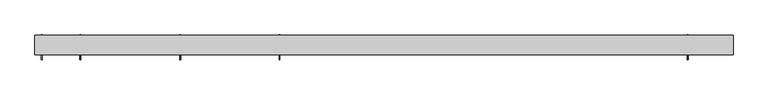
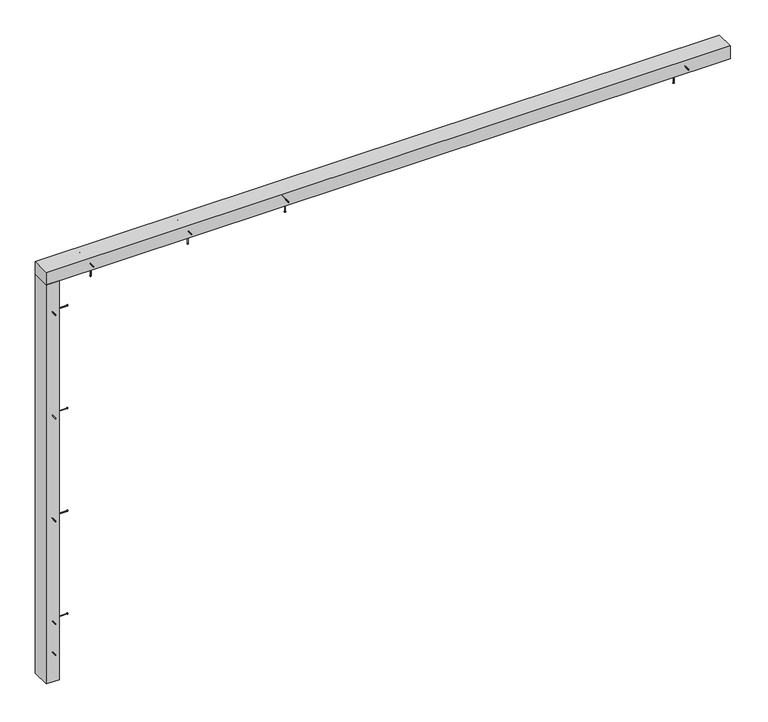
"""IFC4 building model written with IfcOpenShell, lengths in millimetres: proxy geometry."""

from ifc_helpers import new_model, si_unit, point, frame, frame_2d, origin, place, context, project, spatial, polyline, circle_curve, trimmed, segment, composite_curve, outline, extrude, source, transform, mapped, element, save


def generic_models_e6223e9b(model_context):
    return source(origin(), model_context, "Body", "SweptSolid", [
        extrude(outline(composite_curve([segment(trimmed(circle_curve(frame_2d((2827.5, -469.8333333)), 2.4700592), [point((2829.9700592, -469.8333333))], [point((2825.0299408, -469.8333333))], False, "CARTESIAN"), True, "CONTINUOUS"), segment(trimmed(circle_curve(frame_2d((2827.5, -469.8333333)), 2.4700592), [point((2825.0299408, -469.8333333))], [point((2829.9700592, -469.8333333))], False, "CARTESIAN"), True, "CONTINUOUS")], self_intersect=False)), frame((0.0, 123.0, 0.0), z_axis=(0.0, 1.0, 0.0), x_axis=(0.0, 0.0, 1.0)), (0.0, 0.0, 1.0), 152.0),
        extrude(outline(composite_curve([segment(trimmed(circle_curve(frame_2d((2827.5, -469.8333333)), 3.8), [point((2831.3, -469.8333333))], [point((2823.7, -469.8333333))], False, "CARTESIAN"), True, "CONTINUOUS"), segment(trimmed(circle_curve(frame_2d((2827.5, -469.8333333)), 3.8), [point((2823.7, -469.8333333))], [point((2831.3, -469.8333333))], False, "CARTESIAN"), True, "CONTINUOUS")], self_intersect=False)), frame((0.0, 275.0, 0.0), z_axis=(0.0, 1.0, 0.0), x_axis=(0.0, 0.0, 1.0)), (0.0, 0.0, 1.0), 3.0),
        extrude(outline(composite_curve([segment(trimmed(circle_curve(frame_2d((-439.8333333, 215.0)), 2.4700592), [point((-439.8333333, 212.5299408))], [point((-439.8333333, 217.4700592))], False, "CARTESIAN"), True, "CONTINUOUS"), segment(trimmed(circle_curve(frame_2d((-439.8333333, 215.0)), 2.4700592), [point((-439.8333333, 217.4700592))], [point((-439.8333333, 212.5299408))], False, "CARTESIAN"), True, "CONTINUOUS")], self_intersect=False)), frame((0.0, 0.0, 2700.0), z_axis=(0.0, 0.0, 1.0), x_axis=(1.0, 0.0, 0.0)), (0.0, 0.0, 1.0), 145.0),
        extrude(outline(composite_curve([segment(trimmed(circle_curve(frame_2d((-439.8333333, 215.0)), 3.8), [point((-439.8333333, 211.2))], [point((-439.8333333, 218.8))], False, "CARTESIAN"), True, "CONTINUOUS"), segment(trimmed(circle_curve(frame_2d((-439.8333333, 215.0)), 3.8), [point((-439.8333333, 218.8))], [point((-439.8333333, 211.2))], False, "CARTESIAN"), True, "CONTINUOUS")], self_intersect=False)), frame((0.0, 0.0, 2697.0), z_axis=(0.0, 0.0, 1.0), x_axis=(1.0, 0.0, 0.0)), (0.0, 0.0, 1.0), 3.0),
        extrude(outline(composite_curve([segment(trimmed(circle_curve(frame_2d((2827.5, -1091.1666667)), 2.4700592), [point((2829.9700592, -1091.1666667))], [point((2825.0299408, -1091.1666667))], False, "CARTESIAN"), True, "CONTINUOUS"), segment(trimmed(circle_curve(frame_2d((2827.5, -1091.1666667)), 2.4700592), [point((2825.0299408, -1091.1666667))], [point((2829.9700592, -1091.1666667))], False, "CARTESIAN"), True, "CONTINUOUS")], self_intersect=False)), frame((0.0, 123.0, 0.0), z_axis=(0.0, 1.0, 0.0), x_axis=(0.0, 0.0, 1.0)), (0.0, 0.0, 1.0), 152.0),
        extrude(outline(composite_curve([segment(trimmed(circle_curve(frame_2d((2827.5, -1091.1666667)), 3.8), [point((2831.3, -1091.1666667))], [point((2823.7, -1091.1666667))], False, "CARTESIAN"), True, "CONTINUOUS"), segment(trimmed(circle_curve(frame_2d((2827.5, -1091.1666667)), 3.8), [point((2823.7, -1091.1666667))], [point((2831.3, -1091.1666667))], False, "CARTESIAN"), True, "CONTINUOUS")], self_intersect=False)), frame((0.0, 275.0, 0.0), z_axis=(0.0, 1.0, 0.0), x_axis=(0.0, 0.0, 1.0)), (0.0, 0.0, 1.0), 3.0),
        extrude(outline(composite_curve([segment(trimmed(circle_curve(frame_2d((-1061.1666667, 215.0)), 2.4700592), [point((-1061.1666667, 212.5299408))], [point((-1061.1666667, 217.4700592))], False, "CARTESIAN"), True, "CONTINUOUS"), segment(trimmed(circle_curve(frame_2d((-1061.1666667, 215.0)), 2.4700592), [point((-1061.1666667, 217.4700592))], [point((-1061.1666667, 212.5299408))], False, "CARTESIAN"), True, "CONTINUOUS")], self_intersect=False)), frame((0.0, 0.0, 2700.0), z_axis=(0.0, 0.0, 1.0), x_axis=(1.0, 0.0, 0.0)), (0.0, 0.0, 1.0), 145.0),
        extrude(outline(composite_curve([segment(trimmed(circle_curve(frame_2d((-1061.1666667, 215.0)), 3.8), [point((-1061.1666667, 211.2))], [point((-1061.1666667, 218.8))], False, "CARTESIAN"), True, "CONTINUOUS"), segment(trimmed(circle_curve(frame_2d((-1061.1666667, 215.0)), 3.8), [point((-1061.1666667, 218.8))], [point((-1061.1666667, 211.2))], False, "CARTESIAN"), True, "CONTINUOUS")], self_intersect=False)), frame((0.0, 0.0, 2697.0), z_axis=(0.0, 0.0, 1.0), x_axis=(1.0, 0.0, 0.0)), (0.0, 0.0, 1.0), 3.0),
        extrude(outline(composite_curve([segment(trimmed(circle_curve(frame_2d((2045.5, 215.0)), 2.4700592), [point((2045.5, 212.5299408))], [point((2045.5, 217.4700592))], False, "CARTESIAN"), True, "CONTINUOUS"), segment(trimmed(circle_curve(frame_2d((2045.5, 215.0)), 2.4700592), [point((2045.5, 217.4700592))], [point((2045.5, 212.5299408))], False, "CARTESIAN"), True, "CONTINUOUS")], self_intersect=False)), frame((0.0, 0.0, 2700.0), z_axis=(0.0, 0.0, 1.0), x_axis=(1.0, 0.0, 0.0)), (0.0, 0.0, 1.0), 145.0),
        extrude(outline(composite_curve([segment(trimmed(circle_curve(frame_2d((2045.5, 215.0)), 3.8), [point((2045.5, 211.2))], [point((2045.5, 218.8))], False, "CARTESIAN"), True, "CONTINUOUS"), segment(trimmed(circle_curve(frame_2d((2045.5, 215.0)), 3.8), [point((2045.5, 218.8))], [point((2045.5, 211.2))], False, "CARTESIAN"), True, "CONTINUOUS")], self_intersect=False)), frame((0.0, 0.0, 2697.0), z_axis=(0.0, 0.0, 1.0), x_axis=(1.0, 0.0, 0.0)), (0.0, 0.0, 1.0), 3.0),
        extrude(outline(composite_curve([segment(trimmed(circle_curve(frame_2d((-1682.5, 215.0)), 2.4700592), [point((-1682.5, 212.5299408))], [point((-1682.5, 217.4700592))], False, "CARTESIAN"), True, "CONTINUOUS"), segment(trimmed(circle_curve(frame_2d((-1682.5, 215.0)), 2.4700592), [point((-1682.5, 217.4700592))], [point((-1682.5, 212.5299408))], False, "CARTESIAN"), True, "CONTINUOUS")], self_intersect=False)), frame((0.0, 0.0, 2700.0), z_axis=(0.0, 0.0, 1.0), x_axis=(1.0, 0.0, 0.0)), (0.0, 0.0, 1.0), 145.0),
        extrude(outline(composite_curve([segment(trimmed(circle_curve(frame_2d((-1682.5, 215.0)), 3.8), [point((-1682.5, 211.2))], [point((-1682.5, 218.8))], False, "CARTESIAN"), True, "CONTINUOUS"), segment(trimmed(circle_curve(frame_2d((-1682.5, 215.0)), 3.8), [point((-1682.5, 218.8))], [point((-1682.5, 211.2))], False, "CARTESIAN"), True, "CONTINUOUS")], self_intersect=False)), frame((0.0, 0.0, 2697.0), z_axis=(0.0, 0.0, 1.0), x_axis=(1.0, 0.0, 0.0)), (0.0, 0.0, 1.0), 3.0),
        extrude(outline(composite_curve([segment(trimmed(circle_curve(frame_2d((2827.5, -1717.5)), 2.4700592), [point((2829.9700592, -1717.5))], [point((2825.0299408, -1717.5))], False, "CARTESIAN"), True, "CONTINUOUS"), segment(trimmed(circle_curve(frame_2d((2827.5, -1717.5)), 2.4700592), [point((2825.0299408, -1717.5))], [point((2829.9700592, -1717.5))], False, "CARTESIAN"), True, "CONTINUOUS")], self_intersect=False)), frame((0.0, 123.0, 0.0), z_axis=(0.0, 1.0, 0.0), x_axis=(0.0, 0.0, 1.0)), (0.0, 0.0, 1.0), 152.0),
        extrude(outline(composite_curve([segment(trimmed(circle_curve(frame_2d((2827.5, -1717.5)), 3.8), [point((2831.3, -1717.5))], [point((2823.7, -1717.5))], False, "CARTESIAN"), True, "CONTINUOUS"), segment(trimmed(circle_curve(frame_2d((2827.5, -1717.5)), 3.8), [point((2823.7, -1717.5))], [point((2831.3, -1717.5))], False, "CARTESIAN"), True, "CONTINUOUS")], self_intersect=False)), frame((0.0, 275.0, 0.0), z_axis=(0.0, 1.0, 0.0), x_axis=(0.0, 0.0, 1.0)), (0.0, 0.0, 1.0), 3.0),
        extrude(outline(composite_curve([segment(trimmed(circle_curve(frame_2d((2827.5, 2087.5)), 2.4700592), [point((2829.9700592, 2087.5))], [point((2825.0299408, 2087.5))], False, "CARTESIAN"), True, "CONTINUOUS"), segment(trimmed(circle_curve(frame_2d((2827.5, 2087.5)), 2.4700592), [point((2825.0299408, 2087.5))], [point((2829.9700592, 2087.5))], False, "CARTESIAN"), True, "CONTINUOUS")], self_intersect=False)), frame((0.0, 123.0, 0.0), z_axis=(0.0, 1.0, 0.0), x_axis=(0.0, 0.0, 1.0)), (0.0, 0.0, 1.0), 152.0),
        extrude(outline(composite_curve([segment(trimmed(circle_curve(frame_2d((2827.5, 2087.5)), 3.8), [point((2831.3, 2087.5))], [point((2823.7, 2087.5))], False, "CARTESIAN"), True, "CONTINUOUS"), segment(trimmed(circle_curve(frame_2d((2827.5, 2087.5)), 3.8), [point((2823.7, 2087.5))], [point((2831.3, 2087.5))], False, "CARTESIAN"), True, "CONTINUOUS")], self_intersect=False)), frame((0.0, 275.0, 0.0), z_axis=(0.0, 1.0, 0.0), x_axis=(0.0, 0.0, 1.0)), (0.0, 0.0, 1.0), 3.0),
        extrude(outline(polyline([(2372.5, 155.0), (-2002.5, 155.0), (-2002.5, 275.0), (2372.5, 275.0), (2372.5, 155.0)])), frame((0.0, 0.0, 2785.0), z_axis=(0.0, 0.0, 1.0), x_axis=(1.0, 0.0, 0.0)), (0.0, 0.0, 1.0), 85.0),
        extrude(outline(composite_curve([segment(trimmed(circle_curve(frame_2d((495.0, -1960.0)), 2.4700592), [point((495.0, -1962.4700592))], [point((495.0, -1957.5299408))], False, "CARTESIAN"), True, "CONTINUOUS"), segment(trimmed(circle_curve(frame_2d((495.0, -1960.0)), 2.4700592), [point((495.0, -1957.5299408))], [point((495.0, -1962.4700592))], False, "CARTESIAN"), True, "CONTINUOUS")], self_intersect=False)), frame((0.0, 123.0, 0.0), z_axis=(0.0, 1.0, 0.0), x_axis=(0.0, 0.0, 1.0)), (0.0, 0.0, 1.0), 152.0),
        extrude(outline(composite_curve([segment(trimmed(circle_curve(frame_2d((495.0, -1960.0)), 3.8), [point((495.0, -1963.8))], [point((495.0, -1956.2))], False, "CARTESIAN"), True, "CONTINUOUS"), segment(trimmed(circle_curve(frame_2d((495.0, -1960.0)), 3.8), [point((495.0, -1956.2))], [point((495.0, -1963.8))], False, "CARTESIAN"), True, "CONTINUOUS")], self_intersect=False)), frame((0.0, 275.0, 0.0), z_axis=(0.0, 1.0, 0.0), x_axis=(0.0, 0.0, 1.0)), (0.0, 0.0, 1.0), 3.0),
        extrude(outline(composite_curve([segment(trimmed(circle_curve(frame_2d((1190.0, -1960.0)), 2.4700592), [point((1190.0, -1962.4700592))], [point((1190.0, -1957.5299408))], False, "CARTESIAN"), True, "CONTINUOUS"), segment(trimmed(circle_curve(frame_2d((1190.0, -1960.0)), 2.4700592), [point((1190.0, -1957.5299408))], [point((1190.0, -1962.4700592))], False, "CARTESIAN"), True, "CONTINUOUS")], self_intersect=False)), frame((0.0, 123.0, 0.0), z_axis=(0.0, 1.0, 0.0), x_axis=(0.0, 0.0, 1.0)), (0.0, 0.0, 1.0), 152.0),
        extrude(outline(composite_curve([segment(trimmed(circle_curve(frame_2d((1190.0, -1960.0)), 3.8), [point((1190.0, -1963.8))], [point((1190.0, -1956.2))], False, "CARTESIAN"), True, "CONTINUOUS"), segment(trimmed(circle_curve(frame_2d((1190.0, -1960.0)), 3.8), [point((1190.0, -1956.2))], [point((1190.0, -1963.8))], False, "CARTESIAN"), True, "CONTINUOUS")], self_intersect=False)), frame((0.0, 275.0, 0.0), z_axis=(0.0, 1.0, 0.0), x_axis=(0.0, 0.0, 1.0)), (0.0, 0.0, 1.0), 3.0),
        extrude(outline(composite_curve([segment(trimmed(circle_curve(frame_2d((215.0, 1160.0)), 2.4700592), [point((212.5299408, 1160.0))], [point((217.4700592, 1160.0))], False, "CARTESIAN"), True, "CONTINUOUS"), segment(trimmed(circle_curve(frame_2d((215.0, 1160.0)), 2.4700592), [point((217.4700592, 1160.0))], [point((212.5299408, 1160.0))], False, "CARTESIAN"), True, "CONTINUOUS")], self_intersect=False)), frame((-1977.5, 0.0, 0.0), z_axis=(1.0, 0.0, 0.0), x_axis=(0.0, 1.0, 0.0)), (0.0, 0.0, 1.0), 145.0),
        extrude(outline(composite_curve([segment(trimmed(circle_curve(frame_2d((215.0, 1160.0)), 3.8), [point((211.2, 1160.0))], [point((218.8, 1160.0))], False, "CARTESIAN"), True, "CONTINUOUS"), segment(trimmed(circle_curve(frame_2d((215.0, 1160.0)), 3.8), [point((218.8, 1160.0))], [point((211.2, 1160.0))], False, "CARTESIAN"), True, "CONTINUOUS")], self_intersect=False)), frame((-1832.5, 0.0, 0.0), z_axis=(1.0, 0.0, 0.0), x_axis=(0.0, 1.0, 0.0)), (0.0, 0.0, 1.0), 3.0),
        extrude(outline(composite_curve([segment(trimmed(circle_curve(frame_2d((1885.0, -1960.0)), 2.4700592), [point((1885.0, -1962.4700592))], [point((1885.0, -1957.5299408))], False, "CARTESIAN"), True, "CONTINUOUS"), segment(trimmed(circle_curve(frame_2d((1885.0, -1960.0)), 2.4700592), [point((1885.0, -1957.5299408))], [point((1885.0, -1962.4700592))], False, "CARTESIAN"), True, "CONTINUOUS")], self_intersect=False)), frame((0.0, 123.0, 0.0), z_axis=(0.0, 1.0, 0.0), x_axis=(0.0, 0.0, 1.0)), (0.0, 0.0, 1.0), 152.0),
        extrude(outline(composite_curve([segment(trimmed(circle_curve(frame_2d((1885.0, -1960.0)), 3.8), [point((1885.0, -1963.8))], [point((1885.0, -1956.2))], False, "CARTESIAN"), True, "CONTINUOUS"), segment(trimmed(circle_curve(frame_2d((1885.0, -1960.0)), 3.8), [point((1885.0, -1956.2))], [point((1885.0, -1963.8))], False, "CARTESIAN"), True, "CONTINUOUS")], self_intersect=False)), frame((0.0, 275.0, 0.0), z_axis=(0.0, 1.0, 0.0), x_axis=(0.0, 0.0, 1.0)), (0.0, 0.0, 1.0), 3.0),
        extrude(outline(composite_curve([segment(trimmed(circle_curve(frame_2d((215.0, 1855.0)), 2.4700592), [point((212.5299408, 1855.0))], [point((217.4700592, 1855.0))], False, "CARTESIAN"), True, "CONTINUOUS"), segment(trimmed(circle_curve(frame_2d((215.0, 1855.0)), 2.4700592), [point((217.4700592, 1855.0))], [point((212.5299408, 1855.0))], False, "CARTESIAN"), True, "CONTINUOUS")], self_intersect=False)), frame((-1977.5, 0.0, 0.0), z_axis=(1.0, 0.0, 0.0), x_axis=(0.0, 1.0, 0.0)), (0.0, 0.0, 1.0), 145.0),
        extrude(outline(composite_curve([segment(trimmed(circle_curve(frame_2d((215.0, 1855.0)), 3.8), [point((211.2, 1855.0))], [point((218.8, 1855.0))], False, "CARTESIAN"), True, "CONTINUOUS"), segment(trimmed(circle_curve(frame_2d((215.0, 1855.0)), 3.8), [point((218.8, 1855.0))], [point((211.2, 1855.0))], False, "CARTESIAN"), True, "CONTINUOUS")], self_intersect=False)), frame((-1832.5, 0.0, 0.0), z_axis=(1.0, 0.0, 0.0), x_axis=(0.0, 1.0, 0.0)), (0.0, 0.0, 1.0), 3.0),
        extrude(outline(composite_curve([segment(trimmed(circle_curve(frame_2d((215.0, 465.0)), 2.4700592), [point((212.5299408, 465.0))], [point((217.4700592, 465.0))], False, "CARTESIAN"), True, "CONTINUOUS"), segment(trimmed(circle_curve(frame_2d((215.0, 465.0)), 2.4700592), [point((217.4700592, 465.0))], [point((212.5299408, 465.0))], False, "CARTESIAN"), True, "CONTINUOUS")], self_intersect=False)), frame((-1977.5, 0.0, 0.0), z_axis=(1.0, 0.0, 0.0), x_axis=(0.0, 1.0, 0.0)), (0.0, 0.0, 1.0), 145.0),
        extrude(outline(composite_curve([segment(trimmed(circle_curve(frame_2d((215.0, 465.0)), 3.8), [point((211.2, 465.0))], [point((218.8, 465.0))], False, "CARTESIAN"), True, "CONTINUOUS"), segment(trimmed(circle_curve(frame_2d((215.0, 465.0)), 3.8), [point((218.8, 465.0))], [point((211.2, 465.0))], False, "CARTESIAN"), True, "CONTINUOUS")], self_intersect=False)), frame((-1832.5, 0.0, 0.0), z_axis=(1.0, 0.0, 0.0), x_axis=(0.0, 1.0, 0.0)), (0.0, 0.0, 1.0), 3.0),
        extrude(outline(composite_curve([segment(trimmed(circle_curve(frame_2d((215.0, 2550.0)), 2.4700592), [point((212.5299408, 2550.0))], [point((217.4700592, 2550.0))], False, "CARTESIAN"), True, "CONTINUOUS"), segment(trimmed(circle_curve(frame_2d((215.0, 2550.0)), 2.4700592), [point((217.4700592, 2550.0))], [point((212.5299408, 2550.0))], False, "CARTESIAN"), True, "CONTINUOUS")], self_intersect=False)), frame((-1977.5, 0.0, 0.0), z_axis=(1.0, 0.0, 0.0), x_axis=(0.0, 1.0, 0.0)), (0.0, 0.0, 1.0), 145.0),
        extrude(outline(composite_curve([segment(trimmed(circle_curve(frame_2d((215.0, 2550.0)), 3.8), [point((211.2, 2550.0))], [point((218.8, 2550.0))], False, "CARTESIAN"), True, "CONTINUOUS"), segment(trimmed(circle_curve(frame_2d((215.0, 2550.0)), 3.8), [point((218.8, 2550.0))], [point((211.2, 2550.0))], False, "CARTESIAN"), True, "CONTINUOUS")], self_intersect=False)), frame((-1832.5, 0.0, 0.0), z_axis=(1.0, 0.0, 0.0), x_axis=(0.0, 1.0, 0.0)), (0.0, 0.0, 1.0), 3.0),
        extrude(outline(composite_curve([segment(trimmed(circle_curve(frame_2d((2585.0, -1960.0)), 2.4700592), [point((2585.0, -1962.4700592))], [point((2585.0, -1957.5299408))], False, "CARTESIAN"), True, "CONTINUOUS"), segment(trimmed(circle_curve(frame_2d((2585.0, -1960.0)), 2.4700592), [point((2585.0, -1957.5299408))], [point((2585.0, -1962.4700592))], False, "CARTESIAN"), True, "CONTINUOUS")], self_intersect=False)), frame((0.0, 123.0, 0.0), z_axis=(0.0, 1.0, 0.0), x_axis=(0.0, 0.0, 1.0)), (0.0, 0.0, 1.0), 152.0),
        extrude(outline(composite_curve([segment(trimmed(circle_curve(frame_2d((2585.0, -1960.0)), 3.8), [point((2585.0, -1963.8))], [point((2585.0, -1956.2))], False, "CARTESIAN"), True, "CONTINUOUS"), segment(trimmed(circle_curve(frame_2d((2585.0, -1960.0)), 3.8), [point((2585.0, -1956.2))], [point((2585.0, -1963.8))], False, "CARTESIAN"), True, "CONTINUOUS")], self_intersect=False)), frame((0.0, 275.0, 0.0), z_axis=(0.0, 1.0, 0.0), x_axis=(0.0, 0.0, 1.0)), (0.0, 0.0, 1.0), 3.0),
        extrude(outline(composite_curve([segment(trimmed(circle_curve(frame_2d((285.0, -1960.0)), 2.4700592), [point((285.0, -1962.4700592))], [point((285.0, -1957.5299408))], False, "CARTESIAN"), True, "CONTINUOUS"), segment(trimmed(circle_curve(frame_2d((285.0, -1960.0)), 2.4700592), [point((285.0, -1957.5299408))], [point((285.0, -1962.4700592))], False, "CARTESIAN"), True, "CONTINUOUS")], self_intersect=False)), frame((0.0, 123.0, 0.0), z_axis=(0.0, 1.0, 0.0), x_axis=(0.0, 0.0, 1.0)), (0.0, 0.0, 1.0), 152.0),
        extrude(outline(composite_curve([segment(trimmed(circle_curve(frame_2d((285.0, -1960.0)), 3.8), [point((285.0, -1963.8))], [point((285.0, -1956.2))], False, "CARTESIAN"), True, "CONTINUOUS"), segment(trimmed(circle_curve(frame_2d((285.0, -1960.0)), 3.8), [point((285.0, -1956.2))], [point((285.0, -1963.8))], False, "CARTESIAN"), True, "CONTINUOUS")], self_intersect=False)), frame((0.0, 275.0, 0.0), z_axis=(0.0, 1.0, 0.0), x_axis=(0.0, 0.0, 1.0)), (0.0, 0.0, 1.0), 3.0),
        extrude(outline(polyline([(-2002.5, 155.0), (-2002.5, 275.0), (-1917.5, 275.0), (-1917.5, 155.0), (-2002.5, 155.0)])), frame((0.0, 0.0, 85.0), z_axis=(0.0, 0.0, 1.0), x_axis=(1.0, 0.0, 0.0)), (0.0, 0.0, 1.0), 2700.0),
    ])


if __name__ == "__main__":
    model = new_model("IFC4")
    model_context = context("Model", 3, world=origin())
    ifc_project = project(units=[si_unit("LENGTHUNIT", "METRE", prefix="MILLI")], contexts=[model_context])
    site = spatial("IfcSite", under=ifc_project)
    building = spatial("IfcBuilding", under=site)
    placement = place(None, origin())
    generic_models_shape = generic_models_e6223e9b(model_context)
    element("IfcBuildingElementProxy", 1, Name="Generic Models", at=placement, inside=building, context=model_context, shape_type="MappedRepresentation", body=[
        mapped(generic_models_shape, transform((0.0, 0.0, 0.0), x_axis=(1.0, 0.0, 0.0), y_axis=(0.0, 1.0, 0.0), z_axis=(0.0, 0.0, 1.0))),
    ])
    save(model, "model.ifc")
